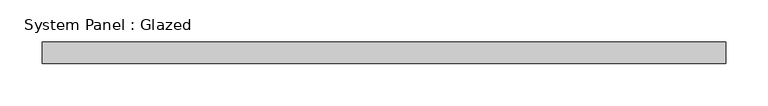
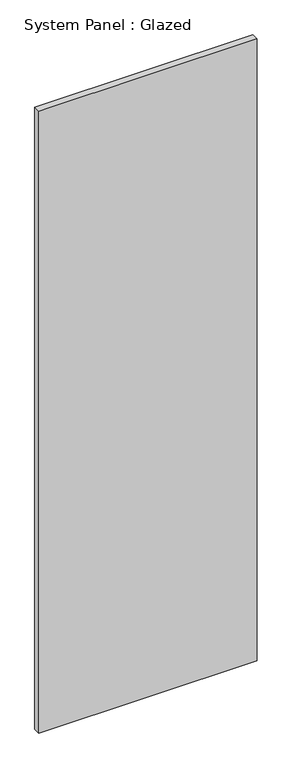
"""IFC4 building model written with IfcOpenShell, lengths in millimetres: plate geometry, System Panel : Glazed."""

from ifc_helpers import new_model, si_unit, origin, origin_with_axes, place, context, project, spatial, polyline, outline, extrude, source, transform, mapped, element, save


def system_panel_glazed_60e9c86a(model_context):
    return source(origin(), model_context, "Body", "SweptSolid", [
        extrude(outline(polyline([(404.7625, 19.05), (-404.7625, 19.05), (-404.7625, 44.45), (404.7625, 44.45), (404.7625, 19.05)])), origin_with_axes(), (0.0, 0.0, 1.0), 2438.4),
    ])


if __name__ == "__main__":
    model = new_model("IFC4")
    model_context = context("Model", 3, world=origin())
    ifc_project = project(units=[si_unit("LENGTHUNIT", "METRE", prefix="MILLI")], contexts=[model_context])
    site = spatial("IfcSite", under=ifc_project)
    building = spatial("IfcBuilding", under=site)
    placement = place(None, origin())
    system_panel_glazed_shape = system_panel_glazed_60e9c86a(model_context)
    element("IfcPlate", 1, ObjectType="System Panel : Glazed", at=placement, inside=building, context=model_context, shape_type="MappedRepresentation", body=[
        mapped(system_panel_glazed_shape, transform((0.0, 0.0, 0.0), x_axis=(1.0, 0.0, 0.0), y_axis=(0.0, 1.0, 0.0), z_axis=(0.0, 0.0, 1.0))),
    ])
    save(model, "model.ifc")
